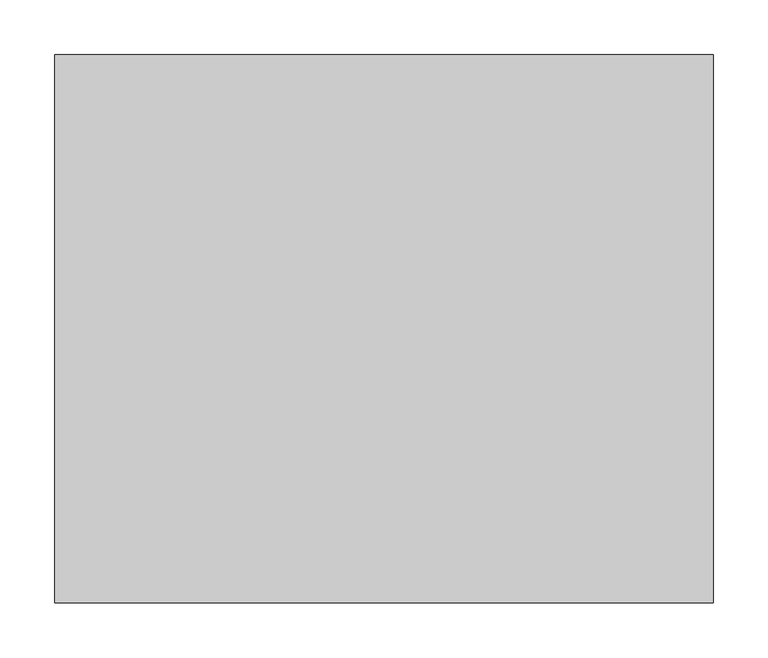
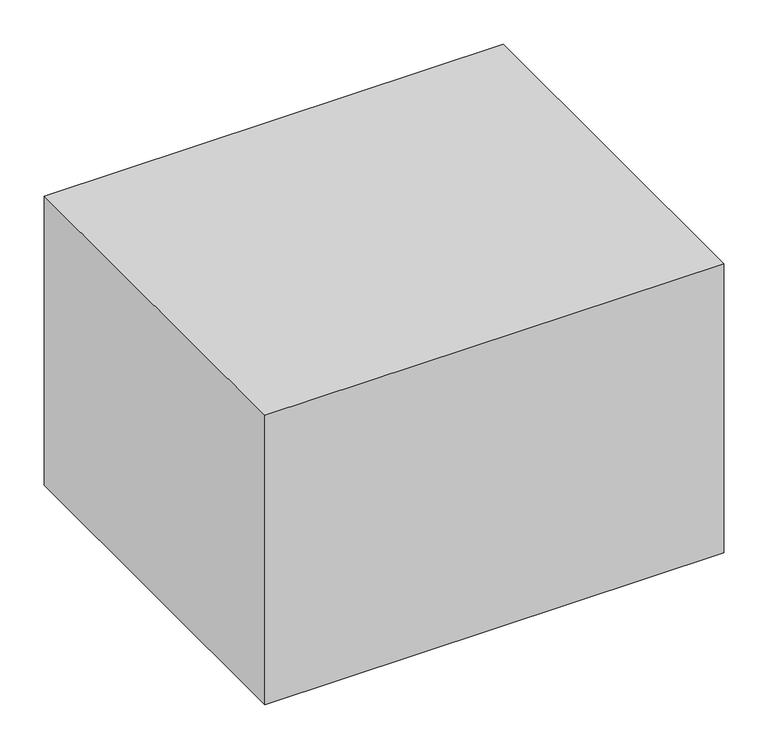
"""IFC4 building model written with IfcOpenShell, lengths in millimetres: geographic element geometry."""

from ifc_helpers import new_model, si_unit, origin, origin_with_axes, place, context, project, spatial, polyline, outline, extrude, source, transform, mapped, element, save


def geographic_element_54a3db66(model_context):
    return source(origin(), model_context, "Body", "SweptSolid", [
        extrude(outline(polyline([(0.0, 0.0), (0.0, 500.0), (600.0, 500.0), (600.0, 0.0), (0.0, 0.0)])), origin_with_axes(), (0.0, 0.0, 1.0), 400.0),
    ])


if __name__ == "__main__":
    model = new_model("IFC4")
    model_context = context("Model", 3, world=origin())
    ifc_project = project(units=[si_unit("LENGTHUNIT", "METRE", prefix="MILLI")], contexts=[model_context])
    site = spatial("IfcSite", under=ifc_project)
    building = spatial("IfcBuilding", under=site)
    placement = place(None, origin())
    geographic_element_shape = geographic_element_54a3db66(model_context)
    element("IfcGeographicElement", 1, at=placement, inside=building, context=model_context, shape_type="MappedRepresentation", body=[
        mapped(geographic_element_shape, transform((0.0, 0.0, 0.0), x_axis=(1.0, 0.0, 0.0), y_axis=(0.0, 1.0, 0.0), z_axis=(0.0, 0.0, 1.0))),
    ])
    save(model, "model.ifc")
